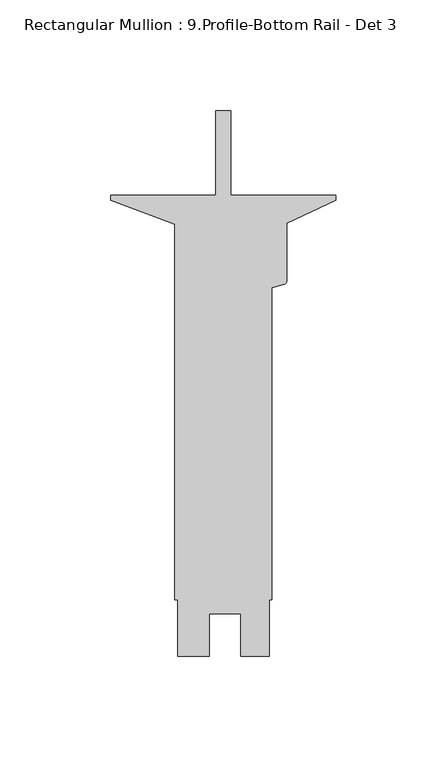
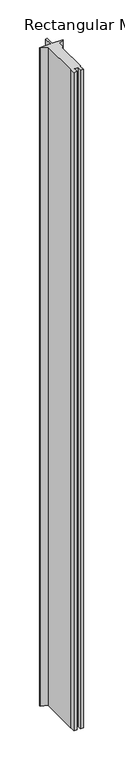
"""IFC4 building model written with IfcOpenShell, lengths in millimetres: member geometry, Rectangular Mullion : 9.Profile-Bottom Rail - Det 3."""

from ifc_helpers import new_model, si_unit, point, frame, frame_2d, origin, place, context, project, spatial, polyline, circle_curve, trimmed, segment, composite_curve, outline, extrude, source, transform, mapped, element, save


def rectangular_mullion_9_profile_bottom_rail_det_3_91cf0e61(model_context):
    return source(origin(), model_context, "Body", "SweptSolid", [
        extrude(outline(composite_curve([segment(polyline([(-47.4345, 38.09873), (-47.4345, 0.0), (0.0, 0.0), (0.0, -2.38252), (-22.225, -12.70127), (-22.225, -38.724961)]), True, "CONTINUOUS"), segment(trimmed(circle_curve(frame_2d((-23.8125, -38.724961)), 1.5875), [point((-22.225, -38.724961))], [point((-23.4016248, -40.2583683))], False, "CARTESIAN"), True, "CONTINUOUS"), segment(polyline([(-23.4016248, -40.2583683), (-28.9052, -41.7330468), (-28.9052, -182.56377), (-30.1752, -182.56377), (-30.1752, -207.96377), (-42.8879, -207.96377), (-42.8879, -188.9264709), (-57.1754, -188.9264709), (-57.1754, -207.96377), (-71.4374837, -207.96377), (-71.4374837, -182.56377), (-72.6948, -182.56377), (-72.6948, -13.1607302), (-101.6, -2.38252), (-101.6, 0.0), (-54.1655, 0.0), (-54.1655, 38.09873), (-47.4345, 38.09873)]), True, "CONTINUOUS")], self_intersect=False)), frame((0.0, 0.0, -3048.0), z_axis=(0.0, 0.0, 1.0), x_axis=(1.0, 0.0, 0.0)), (0.0, 0.0, 1.0), 3048.0),
    ])


if __name__ == "__main__":
    model = new_model("IFC4")
    model_context = context("Model", 3, world=origin())
    ifc_project = project(units=[si_unit("LENGTHUNIT", "METRE", prefix="MILLI")], contexts=[model_context])
    site = spatial("IfcSite", under=ifc_project)
    building = spatial("IfcBuilding", under=site)
    placement = place(None, origin())
    rectangular_mullion_9_profile_bottom_rail_det_3_shape = rectangular_mullion_9_profile_bottom_rail_det_3_91cf0e61(model_context)
    element("IfcMember", 1, ObjectType="Rectangular Mullion : 9.Profile-Bottom Rail - Det 3", at=placement, inside=building, context=model_context, shape_type="MappedRepresentation", body=[
        mapped(rectangular_mullion_9_profile_bottom_rail_det_3_shape, transform((0.0, 0.0, 0.0), x_axis=(1.0, 0.0, 0.0), y_axis=(0.0, 1.0, 0.0), z_axis=(0.0, 0.0, 1.0))),
    ])
    save(model, "model.ifc")
